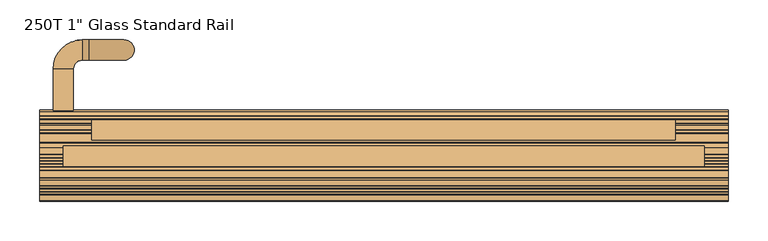
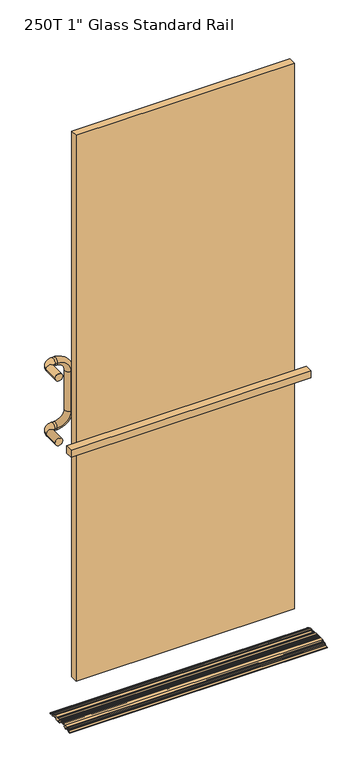
"""IFC4 building model written with IfcOpenShell, lengths in millimetres: door geometry."""

import ifcopenshell
import ifcopenshell.guid

model = None  # the IFC model being written
_history = None  # IfcOwnerHistory: only IFC2X3 demands one
_inside = {}  # id of a spatial element -> (the spatial element, [elements in it])
_under = {}  # id of a project, library or spatial element -> (it, [spatial elements below it])
_declared = {}  # id of a project -> (the project, [libraries it declares])
_typed = {}  # id of a type object -> (the type object, [elements of that type])
_made_of = {}  # id of a material, layer set ... -> (it, [elements and type objects made of it])


def new_model(schema):
    """Start an empty IFC model of exactly this schema.

    Asked for "IFC4X3", IfcOpenShell would pick the latest addendum, in which some entities
    have other attributes; the version numbers below select the first issue.
    IFC2X3 requires an IfcOwnerHistory on every rooted entity: one is made here for all.
    """
    global model, _history
    if schema == "IFC4X3":
        model = ifcopenshell.file(schema_version=(4, 3, 0, 0))
    else:
        model = ifcopenshell.file(schema=schema)
    _inside.clear()
    _under.clear()
    _declared.clear()
    _typed.clear()
    _made_of.clear()
    _history = None
    if model.schema == "IFC2X3":
        org = make("IfcOrganization", Name="unknown")
        user = make(
            "IfcPersonAndOrganization",
            ThePerson=make("IfcPerson", FamilyName="unknown"),
            TheOrganization=org,
        )
        app = make(
            "IfcApplication",
            ApplicationDeveloper=org,
            Version="unknown",
            ApplicationFullName="unknown",
            ApplicationIdentifier="unknown",
        )
        _history = make(
            "IfcOwnerHistory",
            OwningUser=user,
            OwningApplication=app,
            ChangeAction="ADDED",
            CreationDate=0,
        )
    return model


def make(cls, **values):
    """One entity of the class cls with the attributes given. An attribute that is None is left unset."""
    return model.create_entity(
        cls, **{name: value for name, value in values.items() if value is not None}
    )


def rooted(cls, **values):
    """An entity with a GlobalId (a new one), such as an element, a storey or a relation."""
    return make(cls, GlobalId=ifcopenshell.guid.new(), OwnerHistory=_history, **values)


def si_unit(unit_type, name, prefix=None):
    """IfcSIUnit, for example si_unit("LENGTHUNIT", "METRE", prefix="MILLI")."""
    return make("IfcSIUnit", UnitType=unit_type, Prefix=prefix, Name=name)


def assignment(units):
    """IfcUnitAssignment: the units of a project."""
    return None if units is None else make("IfcUnitAssignment", Units=units)


def point(xyz):
    """IfcCartesianPoint."""
    return None if xyz is None else make("IfcCartesianPoint", Coordinates=xyz)


def direction(xyz):
    """IfcDirection."""
    return None if xyz is None else make("IfcDirection", DirectionRatios=xyz)


def frame(location, z_axis=None, x_axis=None):
    """IfcAxis2Placement3D, a coordinate frame: its origin and axes. An axis left out is left unset."""
    return make(
        "IfcAxis2Placement3D",
        Location=point(location),
        Axis=direction(z_axis),
        RefDirection=direction(x_axis),
    )


def origin():
    """The frame at (0, 0, 0) with its axes left unset."""
    return frame((0.0, 0.0, 0.0))


def place(relative_to, where):
    """IfcLocalPlacement: puts the frame where relative to a parent placement (None: the world)."""
    return make(
        "IfcLocalPlacement", PlacementRelTo=relative_to, RelativePlacement=where
    )


def context(
    kind, dimensions, precision=None, world=None, true_north=None, identifier=None
):
    """IfcGeometricRepresentationContext, for example the 3D "Model" context."""
    return make(
        "IfcGeometricRepresentationContext",
        ContextIdentifier=identifier,
        ContextType=kind,
        CoordinateSpaceDimension=dimensions,
        Precision=precision,
        WorldCoordinateSystem=world,
        TrueNorth=true_north,
    )


def project(units=None, contexts=None):
    """IfcProject with its units and contexts."""
    return rooted(
        "IfcProject",
        Name="project",
        RepresentationContexts=contexts,
        UnitsInContext=assignment(units),
    )


def spatial(cls, under=None, at=None, **own):
    """A site, building, storey or space (cls), placed at a placement, below another one or the project."""
    s = rooted(cls, ObjectPlacement=at, **own)
    if under is not None:
        _under.setdefault(under.id(), (under, []))[1].append(s)
    return s


def polyline(points):
    """IfcPolyline through the points."""
    return make("IfcPolyline", Points=[point(p) for p in points])


def circle_curve(where, radius):
    """IfcCircle in the frame where."""
    return make("IfcCircle", Position=where, Radius=radius)


def ellipse_curve(where, semi_axis1, semi_axis2):
    """IfcEllipse in the frame where."""
    return make(
        "IfcEllipse", Position=where, SemiAxis1=semi_axis1, SemiAxis2=semi_axis2
    )


def trimmed(basis, trim1, trim2, sense, master):
    """IfcTrimmedCurve: the piece of a basis curve between two trims."""
    return make(
        "IfcTrimmedCurve",
        BasisCurve=basis,
        Trim1=trim1,
        Trim2=trim2,
        SenseAgreement=sense,
        MasterRepresentation=master,
    )


def outline(outer, holes=None, kind="AREA"):
    """IfcArbitraryClosedProfileDef: a profile drawn as a closed curve; with holes, ...WithVoids."""
    if holes is None:
        return make("IfcArbitraryClosedProfileDef", ProfileType=kind, OuterCurve=outer)
    return make(
        "IfcArbitraryProfileDefWithVoids",
        ProfileType=kind,
        OuterCurve=outer,
        InnerCurves=holes,
    )


def extrude(swept, where, along, depth):
    """IfcExtrudedAreaSolid: the profile swept, set in the frame where, extruded along a direction by depth."""
    return make(
        "IfcExtrudedAreaSolid",
        SweptArea=swept,
        Position=where,
        ExtrudedDirection=direction(along),
        Depth=depth,
    )


def shape(context_of_items, identifier, shape_type, items):
    """IfcShapeRepresentation: the items that make up one representation, for example the "Body"."""
    return make(
        "IfcShapeRepresentation",
        ContextOfItems=context_of_items,
        RepresentationIdentifier=identifier,
        RepresentationType=shape_type,
        Items=items,
    )


def source(mapping_origin, context_of_items, identifier, shape_type, items):
    """IfcRepresentationMap: a shape defined once, which mapped items show again and again."""
    return make(
        "IfcRepresentationMap",
        MappingOrigin=mapping_origin,
        MappedRepresentation=shape(context_of_items, identifier, shape_type, items),
    )


def transform(
    local_origin,
    x_axis=None,
    y_axis=None,
    z_axis=None,
    scale=None,
    scale2=None,
    scale3=None,
    uniform=True,
):
    """IfcCartesianTransformationOperator3D, or its non-uniform kind. x_axis, y_axis, z_axis: its Axis1, 2, 3."""
    if uniform:
        return make(
            "IfcCartesianTransformationOperator3D",
            Axis1=direction(x_axis),
            Axis2=direction(y_axis),
            LocalOrigin=point(local_origin),
            Scale=scale,
            Axis3=direction(z_axis),
        )
    return make(
        "IfcCartesianTransformationOperator3DnonUniform",
        Axis1=direction(x_axis),
        Axis2=direction(y_axis),
        LocalOrigin=point(local_origin),
        Scale=scale,
        Axis3=direction(z_axis),
        Scale2=scale2,
        Scale3=scale3,
    )


def mapped(mapping_source, mapping_target):
    """IfcMappedItem: shows the shape of a source again, moved by a transform."""
    return make(
        "IfcMappedItem", MappingSource=mapping_source, MappingTarget=mapping_target
    )


def made_of(thing, what):
    """Note that an element or type object is made of a material, layer set ...; save() writes the relation."""
    if what is not None:
        _made_of.setdefault(what.id(), (what, []))[1].append(thing)
    return thing


def element(
    cls,
    number,
    at=None,
    inside=None,
    cuts=None,
    type_object=None,
    material=None,
    context=None,
    identifier="Body",
    shape_type=None,
    held_by="IfcProductDefinitionShape",
    body=None,
    shapes=None,
    **own,
):
    """One element of the class cls, such as IfcWall. Its Tag is "e" and its number.

    at: its placement. inside: the storey or other place that contains it. cuts: it is an
    opening in that element (IfcRelVoidsElement). A single representation is given by context,
    identifier, shape_type and body (its items); several are given by shapes. held_by: the class
    of the entity that holds the representations. save() writes the other relations.
    """
    e = rooted(cls, Tag="e%d" % number, ObjectPlacement=at, **own)
    if body is not None:
        shapes = [shape(context, identifier, shape_type, body)]
    if shapes is not None:
        e.Representation = make(held_by, Representations=shapes)
    if inside is not None:
        _inside.setdefault(inside.id(), (inside, []))[1].append(e)
    if cuts is not None:
        rooted(
            "IfcRelVoidsElement", RelatingBuildingElement=cuts, RelatedOpeningElement=e
        )
    if type_object is not None:
        _typed.setdefault(type_object.id(), (type_object, []))[1].append(e)
    return made_of(e, material)


def aggregate(whole, parts):
    """IfcRelAggregates: a whole, such as a stair, and the parts it consists of."""
    return rooted("IfcRelAggregates", RelatingObject=whole, RelatedObjects=parts)


def save(model, path):
    """Write the relations noted so far, then the file.

    IfcRelAggregates (storeys below a building ...), IfcRelContainedInSpatialStructure (elements
    in a storey), IfcRelDefinesByType, IfcRelAssociatesMaterial and IfcRelDeclares: one each for
    every whole, place, type object, material and project.
    """
    for whole, parts in _under.values():
        aggregate(whole, parts)
    for where, things in _inside.values():
        rooted(
            "IfcRelContainedInSpatialStructure",
            RelatedElements=things,
            RelatingStructure=where,
        )
    for kind, things in _typed.values():
        rooted("IfcRelDefinesByType", RelatedObjects=things, RelatingType=kind)
    for what, things in _made_of.values():
        rooted("IfcRelAssociatesMaterial", RelatedObjects=things, RelatingMaterial=what)
    for by, libraries in _declared.values():
        rooted("IfcRelDeclares", RelatingContext=by, RelatedDefinitions=libraries)
    model.write(path)


def plane_surface(at):
    """IfcPlane: the flat surface through the origin of the frame at, square to its z axis."""
    return make("IfcPlane", Position=at)


def cylinder_surface(at, radius):
    """IfcCylindricalSurface: all points at the distance radius from the z axis of the frame at."""
    return make("IfcCylindricalSurface", Position=at, Radius=radius)


def revolved_surface(curve, axis_point, axis_direction):
    """IfcSurfaceOfRevolution: the curve turned about the line through axis_point along axis_direction."""
    return make(
        "IfcSurfaceOfRevolution",
        SweptCurve=make("IfcArbitraryOpenProfileDef", ProfileType="CURVE", Curve=curve),
        AxisPosition=make("IfcAxis1Placement", Location=point(axis_point), Axis=direction(axis_direction)),
    )


def advanced_brep(points, edges, surfaces, faces):
    """IfcAdvancedBrep: a solid bounded by faces that lie on surfaces and meet in shared edges.

    An edge is (start, end): straight between two places in points (the first is 0);
    or (start, end, curve); or (start, end, curve, False) where it runs against its curve.
    A face is (place in surfaces, loops), or (place, loops, False) where it looks against
    its surface's normal. A loop lists edges by number (the first is 1), with a minus sign
    where the edge is run from its end to its start. The first loop is the outer one.
    """
    corners = [point(p) for p in points]
    vertices = [make("IfcVertexPoint", VertexGeometry=c) for c in corners]
    made = []
    for start, end, *more in edges:
        made.append(
            make(
                "IfcEdgeCurve",
                EdgeStart=vertices[start],
                EdgeEnd=vertices[end],
                EdgeGeometry=more[0] if more else make("IfcPolyline", Points=[corners[start], corners[end]]),
                SameSense=more[1] if len(more) > 1 else True,
            )
        )
    hull = []
    for where, loops, *sense in faces:
        bounds = []
        for j, loop in enumerate(loops):
            ring = [make("IfcOrientedEdge", EdgeElement=made[abs(k) - 1], Orientation=k > 0) for k in loop]
            bounds.append(
                make(
                    "IfcFaceOuterBound" if j == 0 else "IfcFaceBound",
                    Bound=make("IfcEdgeLoop", EdgeList=ring),
                    Orientation=True,
                )
            )
        hull.append(make("IfcAdvancedFace", Bounds=bounds, FaceSurface=surfaces[where], SameSense=sense[0] if sense else True))
    return make("IfcAdvancedBrep", Outer=make("IfcClosedShell", CfsFaces=hull))


def door_67bc1ff7(model_context):
    return source(origin(), model_context, "Body", "SolidModel", [
        advanced_brep(
        [(431.8, 56.0018773, 3.232503), (431.8, 50.6638234, 5.6801748), (431.8, 49.619888, 5.292623), (431.8, 46.7107366, 6.6265638), (431.8, 46.3231848, 7.6704992), (431.8, 45.4689102, 8.062212), (431.8, 41.1255102, 6.449763), (431.8, 41.1255102, 9.5486209), (431.8, 40.666302, 10.2643645), (431.8, 38.7887102, 11.1253015), (431.8, 32.9213102, 11.1253015), (431.8, 32.1339102, 10.3379015), (431.8, 28.9335102, 10.3379015), (431.8, 28.1461102, 11.1253015), (431.8, 17.3511102, 11.1253015), (431.8, 16.5637102, 10.3379015), (431.8, 10.2137102, 10.3379015), (431.8, 10.2137102, 12.7001015), (431.8, 2.1174048, 12.7001015), (431.8, 1.3300048, 11.9127015), (431.8, -1.8703952, 11.9127015), (431.8, -2.6577952, 12.7001015), (431.8, -5.7343425, 12.7001015), (431.8, -6.5217425, 11.9127015), (431.8, -9.7221425, 11.9127015), (431.8, -10.5095425, 12.7001015), (431.8, -13.5860898, 12.7001015), (431.8, -14.3734898, 11.9127015), (431.8, -17.5738898, 11.9127015), (431.8, -18.3612898, 12.7001015), (431.8, -30.2484898, 12.7001015), (431.8, -37.2890147, 9.711576), (431.8, -37.7061586, 8.6791088), (431.8, -40.6521423, 7.4286129), (431.8, -41.6846095, 7.8457567), (431.8, -44.7708782, 6.5357134), (431.8, -45.188022, 5.5032462), (431.8, -48.1340058, 4.2527503), (431.8, -49.166473, 4.6698941), (431.8, -55.9815515, 1.7770649), (431.8, -56.4612898, 1.0522594), (431.8, -56.4613134, 9.84e-05), (431.8, -51.5229181, 0.6619452), (431.8, -49.2639778, 1.6208084), (431.8, -48.2315106, 1.2036646), (431.8, -43.1812527, 3.3473719), (431.8, -42.7641089, 4.3798391), (431.8, -41.7821143, 4.7966711), (431.8, -40.7496471, 4.3795272), (431.8, -35.6993893, 6.5232345), (431.8, -35.2822455, 7.5557017), (431.8, -33.3475373, 8.3769366), (431.8, -32.3312276, 7.3088865), (431.8, -32.7376898, 5.5373015), (431.8, -32.7376898, 0.0), (431.8, -30.7056898, 0.0), (431.8, -30.7056898, 3.1751015), (431.8, -25.9480674, 3.1751015), (431.8, -26.613477, 8.4977963), (431.8, -26.1637123, 9.9315015), (431.8, -19.3661635, 9.9315015), (431.8, -18.5787635, 9.1441015), (431.8, -13.3686162, 9.1441015), (431.8, -12.5812162, 9.9315015), (431.8, -11.5144162, 9.9315015), (431.8, -10.7270162, 9.1441015), (431.8, -5.5168689, 9.1441015), (431.8, -4.7294689, 9.9315015), (431.8, -3.6626689, 9.9315015), (431.8, -2.8752689, 9.1441015), (431.8, 3.1017102, 9.1441015), (431.8, 3.8891102, 8.3567015), (431.8, 3.8891102, 0.7875015), (431.8, 4.6765102, 0.0001015), (431.8, 10.2137102, 0.0), (431.8, 10.2137102, 2.7687015), (431.8, 16.5637102, 2.7687015), (431.8, 16.5637102, 0.0), (431.8, 22.1009102, 0.0), (431.8, 22.8883102, 0.7875015), (431.8, 22.8883102, 7.5693015), (431.8, 23.6757102, 8.3567015), (431.8, 26.1549621, 8.3567015), (431.8, 26.8531158, 7.2051859), (431.8, 27.3254878, 3.1751015), (431.8, 32.7767326, 3.1751015), (431.8, 33.2491045, 7.2051859), (431.8, 33.9472582, 8.3567015), (431.8, 36.7821102, 8.3567015), (431.8, 36.7821102, 5.9691015), (431.8, 39.1697102, 3.5815015), (431.8, 41.3543822, 3.5815015), (431.8, 43.0813102, 4.2226083), (431.8, 43.0813102, 0.0), (431.8, 45.8499102, 0.0), (431.8, 45.8499102, 3.6144549), (431.8, 46.965502, 4.3301985), (431.8, 52.9111102, 1.6039432), (431.8, 52.9111102, 0.6605015), (431.8, 57.8173069, 0.00297), (-431.8, 56.0018773, 3.232503), (-431.8, 57.8173069, 0.00297), (-431.8, 52.9111102, 0.6605015), (-431.8, 52.9111102, 1.6039432), (-431.8, 46.965502, 4.3301985), (-431.8, 45.8499102, 3.6144549), (-431.8, 45.8499102, 0.0), (-431.8, 43.0813102, 0.0), (-431.8, 43.0813102, 4.2226083), (-431.8, 41.3543822, 3.5815015), (-431.8, 39.1697102, 3.5815015), (-431.8, 36.7821102, 5.9691015), (-431.8, 36.7821102, 8.3567015), (-431.8, 33.9472582, 8.3567015), (-431.8, 33.2491045, 7.2051859), (-431.8, 32.7767326, 3.1751015), (-431.8, 27.3254878, 3.1751015), (-431.8, 26.8531158, 7.2051859), (-431.8, 26.1549621, 8.3567015), (-431.8, 23.6757102, 8.3567015), (-431.8, 22.8883102, 7.5693015), (-431.8, 22.8883102, 0.7875015), (-431.8, 22.1009102, 0.0001015), (-431.8, 16.5637102, 0.0), (-431.8, 16.5637102, 2.7687015), (-431.8, 10.2137102, 2.7687015), (-431.8, 10.2137102, 0.0), (-431.8, 4.6765102, 0.0), (-431.8, 3.8891102, 0.7875015), (-431.8, 3.8891102, 8.3567015), (-431.8, 3.1017102, 9.1441015), (-431.8, -2.8752689, 9.1441015), (-431.8, -3.6626689, 9.9315015), (-431.8, -4.7294689, 9.9315015), (-431.8, -5.5168689, 9.1441015), (-431.8, -10.7270162, 9.1441015), (-431.8, -11.5144162, 9.9315015), (-431.8, -12.5812162, 9.9315015), (-431.8, -13.3686162, 9.1441015), (-431.8, -18.5787635, 9.1441015), (-431.8, -19.3661635, 9.9315015), (-431.8, -26.1637123, 9.9315015), (-431.8, -26.613477, 8.4977963), (-431.8, -25.9480674, 3.1751015), (-431.8, -30.7056898, 3.1751015), (-431.8, -30.7056898, 0.0), (-431.8, -32.7376898, 0.0), (-431.8, -32.7376898, 5.5373015), (-431.8, -32.3312276, 7.3088865), (-431.8, -33.3475373, 8.3769366), (-431.8, -35.2822455, 7.5557017), (-431.8, -35.6993893, 6.5232345), (-431.8, -40.7496471, 4.3795272), (-431.8, -41.7821143, 4.7966711), (-431.8, -42.7641089, 4.3798391), (-431.8, -43.1812527, 3.3473719), (-431.8, -48.2315106, 1.2036646), (-431.8, -49.2639778, 1.6208084), (-431.8, -51.5229181, 0.6619452), (-431.8, -56.4613134, 9.84e-05), (-431.8, -56.4613134, 1.0522594), (-431.8, -55.9815515, 1.7770649), (-431.8, -49.166473, 4.6698941), (-431.8, -48.1340058, 4.2527503), (-431.8, -45.188022, 5.5032462), (-431.8, -44.7708782, 6.5357134), (-431.8, -41.6846095, 7.8457567), (-431.8, -40.6521423, 7.4286129), (-431.8, -37.7061586, 8.6791088), (-431.8, -37.2890147, 9.711576), (-431.8, -30.2484898, 12.7001015), (-431.8, -18.3612898, 12.7001015), (-431.8, -17.5738898, 11.9127015), (-431.8, -14.3734898, 11.9127015), (-431.8, -13.5860898, 12.7001015), (-431.8, -10.5095425, 12.7001015), (-431.8, -9.7221425, 11.9127015), (-431.8, -6.5217425, 11.9127015), (-431.8, -5.7343425, 12.7001015), (-431.8, -2.6577952, 12.7001015), (-431.8, -1.8703952, 11.9127015), (-431.8, 1.3300048, 11.9127015), (-431.8, 2.1174048, 12.7001015), (-431.8, 10.2137102, 12.7001015), (-431.8, 10.2137102, 10.3379015), (-431.8, 16.5637102, 10.3379015), (-431.8, 17.3511102, 11.1253015), (-431.8, 28.1461102, 11.1253015), (-431.8, 28.9335102, 10.3379015), (-431.8, 32.1339102, 10.3379015), (-431.8, 32.9213102, 11.1253015), (-431.8, 38.7887102, 11.1253015), (-431.8, 40.666302, 10.2643645), (-431.8, 41.1255102, 9.5486209), (-431.8, 41.1255102, 6.449763), (-431.8, 45.4689102, 8.062212), (-431.8, 46.3231848, 7.6704992), (-431.8, 46.7107366, 6.6265638), (-431.8, 49.619888, 5.292623), (-431.8, 50.6638234, 5.6801748)],
        [
            (0, 1),
            (1, 2),
            (2, 3),
            (3, 4),
            (4, 5),
            (5, 6),
            (6, 7),
            (7, 8, circle_curve(frame((431.8, 40.3381102, 9.5486209), z_axis=(1.0, 0.0, 0.0), x_axis=(0.0, -1.0, 0.0)), 0.7874)),
            (8, 9),
            (9, 10),
            (10, 11),
            (11, 12),
            (12, 13),
            (13, 14),
            (14, 15, circle_curve(frame((431.8, 17.3511102, 10.3379015), z_axis=(1.0, 0.0, 0.0), x_axis=(0.0, -1.0, 0.0)), 0.7874)),
            (15, 16, circle_curve(frame((431.8, 13.3887102, 24.0835969), z_axis=(-1.0, 0.0, 0.0), x_axis=(0.0, -1.0, 0.0)), 14.1076138)),
            (16, 17),
            (17, 18),
            (18, 19),
            (19, 20),
            (20, 21),
            (21, 22),
            (22, 23),
            (23, 24),
            (24, 25),
            (25, 26),
            (26, 27),
            (27, 28),
            (28, 29),
            (29, 30),
            (30, 31),
            (31, 32),
            (32, 33),
            (33, 34),
            (34, 35),
            (35, 36),
            (36, 37),
            (37, 38),
            (38, 39),
            (39, 40, circle_curve(frame((431.8, -55.6738898, 1.0522594), z_axis=(1.0, 0.0, 0.0), x_axis=(0.0, -1.0, 0.0)), 0.7874)),
            (40, 41),
            (41, 42),
            (42, 43),
            (43, 44),
            (44, 45),
            (45, 46),
            (46, 47),
            (47, 48),
            (48, 49),
            (49, 50),
            (50, 51),
            (51, 52, circle_curve(frame((431.8, -33.0398756, 7.6521311), z_axis=(-1.0, 0.0, 0.0), x_axis=(0.0, -1.0, 0.0)), 0.7874)),
            (52, 53, circle_curve(frame((431.8, -28.6736898, 5.5373015), z_axis=(1.0, 0.0, 0.0), x_axis=(0.0, -1.0, 0.0)), 4.064)),
            (53, 54),
            (54, 55),
            (55, 56),
            (56, 57),
            (57, 58, circle_curve(frame((431.8, -28.6736898, 5.5373015), z_axis=(1.0, 0.0, 0.0), x_axis=(0.0, -1.0, 0.0)), 3.6068)),
            (58, 59, circle_curve(frame((431.8, -26.1637123, 9.1441015), z_axis=(-1.0, 0.0, 0.0), x_axis=(0.0, -1.0, 0.0)), 0.7874)),
            (59, 60),
            (60, 61),
            (61, 62),
            (62, 63),
            (63, 64),
            (64, 65),
            (65, 66),
            (66, 67),
            (67, 68),
            (68, 69),
            (69, 70),
            (70, 71, circle_curve(frame((431.8, 3.1017102, 8.3567015), z_axis=(-1.0, 0.0, 0.0), x_axis=(0.0, -1.0, 0.0)), 0.7874)),
            (71, 72),
            (72, 73, circle_curve(frame((431.8, 4.6765102, 0.7875015), z_axis=(1.0, 0.0, 0.0), x_axis=(0.0, -1.0, 0.0)), 0.7874)),
            (73, 74),
            (74, 75),
            (75, 76),
            (76, 77),
            (77, 78),
            (78, 79, circle_curve(frame((431.8, 22.1009102, 0.7875015), z_axis=(1.0, 0.0, 0.0), x_axis=(0.0, -1.0, 0.0)), 0.7874)),
            (79, 80),
            (80, 81, circle_curve(frame((431.8, 23.6757102, 7.5693015), z_axis=(-1.0, 0.0, 0.0), x_axis=(0.0, -1.0, 0.0)), 0.7874)),
            (81, 82),
            (82, 83, circle_curve(frame((431.8, 26.1549621, 7.5693015), z_axis=(-1.0, 0.0, 0.0), x_axis=(0.0, -1.0, 0.0)), 0.7874)),
            (83, 84, circle_curve(frame((431.8, 30.0511102, 5.5373015), z_axis=(1.0, 0.0, 0.0), x_axis=(0.0, -1.0, 0.0)), 3.6068)),
            (84, 85),
            (85, 86, circle_curve(frame((431.8, 30.0511102, 5.5373015), z_axis=(1.0, 0.0, 0.0), x_axis=(0.0, -1.0, 0.0)), 3.6068)),
            (86, 87, circle_curve(frame((431.8, 33.9472582, 7.5693015), z_axis=(-1.0, 0.0, 0.0), x_axis=(0.0, -1.0, 0.0)), 0.7874)),
            (87, 88),
            (88, 89),
            (89, 90, circle_curve(frame((431.8, 39.1697102, 5.9691015), z_axis=(1.0, 0.0, 0.0), x_axis=(0.0, -1.0, 0.0)), 2.3876)),
            (90, 91),
            (91, 92),
            (92, 93),
            (93, 94),
            (94, 95),
            (95, 96, circle_curve(frame((431.8, 46.6373102, 3.6144549), z_axis=(-1.0, 0.0, 0.0), x_axis=(0.0, -1.0, 0.0)), 0.7874)),
            (96, 97),
            (97, 98),
            (98, 99),
            (99, 0, circle_curve(frame((431.8, 54.6891102, 0.3695285), z_axis=(1.0, 0.0, 0.0), x_axis=(0.0, -1.0, 0.0)), 3.1496)),
            (100, 101, circle_curve(frame((-431.8, 54.6891102, 0.3695285), z_axis=(-1.0, 0.0, 0.0), x_axis=(0.0, -1.0, 0.0)), 3.1496)),
            (101, 102),
            (102, 103),
            (103, 104),
            (104, 105, circle_curve(frame((-431.8, 46.6373102, 3.6144549), z_axis=(1.0, 0.0, 0.0), x_axis=(0.0, -1.0, 0.0)), 0.7874)),
            (105, 106),
            (106, 107),
            (107, 108),
            (108, 109),
            (109, 110),
            (110, 111, circle_curve(frame((-431.8, 39.1697102, 5.9691015), z_axis=(-1.0, 0.0, 0.0), x_axis=(0.0, -1.0, 0.0)), 2.3876)),
            (111, 112),
            (112, 113),
            (113, 114, circle_curve(frame((-431.8, 33.9472582, 7.5693015), z_axis=(1.0, 0.0, 0.0), x_axis=(0.0, -1.0, 0.0)), 0.7874)),
            (114, 115, circle_curve(frame((-431.8, 30.0511102, 5.5373015), z_axis=(-1.0, 0.0, 0.0), x_axis=(0.0, -1.0, 0.0)), 3.6068)),
            (115, 116),
            (116, 117, circle_curve(frame((-431.8, 30.0511102, 5.5373015), z_axis=(-1.0, 0.0, 0.0), x_axis=(0.0, -1.0, 0.0)), 3.6068)),
            (117, 118, circle_curve(frame((-431.8, 26.1549621, 7.5693015), z_axis=(1.0, 0.0, 0.0), x_axis=(0.0, -1.0, 0.0)), 0.7874)),
            (118, 119),
            (119, 120, circle_curve(frame((-431.8, 23.6757102, 7.5693015), z_axis=(1.0, 0.0, 0.0), x_axis=(0.0, -1.0, 0.0)), 0.7874)),
            (120, 121),
            (121, 122, circle_curve(frame((-431.8, 22.1009102, 0.7875015), z_axis=(-1.0, 0.0, 0.0), x_axis=(0.0, -1.0, 0.0)), 0.7874)),
            (122, 123),
            (123, 124),
            (124, 125),
            (125, 126),
            (126, 127),
            (127, 128, circle_curve(frame((-431.8, 4.6765102, 0.7875015), z_axis=(-1.0, 0.0, 0.0), x_axis=(0.0, -1.0, 0.0)), 0.7874)),
            (128, 129),
            (129, 130, circle_curve(frame((-431.8, 3.1017102, 8.3567015), z_axis=(1.0, 0.0, 0.0), x_axis=(0.0, -1.0, 0.0)), 0.7874)),
            (130, 131),
            (131, 132),
            (132, 133),
            (133, 134),
            (134, 135),
            (135, 136),
            (136, 137),
            (137, 138),
            (138, 139),
            (139, 140),
            (140, 141),
            (141, 142, circle_curve(frame((-431.8, -26.1637123, 9.1441015), z_axis=(1.0, 0.0, 0.0), x_axis=(0.0, -1.0, 0.0)), 0.7874)),
            (142, 143, circle_curve(frame((-431.8, -28.6736898, 5.5373015), z_axis=(-1.0, 0.0, 0.0), x_axis=(0.0, -1.0, 0.0)), 3.6068)),
            (143, 144),
            (144, 145),
            (145, 146),
            (146, 147),
            (147, 148, circle_curve(frame((-431.8, -28.6736898, 5.5373015), z_axis=(-1.0, 0.0, 0.0), x_axis=(0.0, -1.0, 0.0)), 4.064)),
            (148, 149, circle_curve(frame((-431.8, -33.0398756, 7.6521311), z_axis=(1.0, 0.0, 0.0), x_axis=(0.0, -1.0, 0.0)), 0.7874)),
            (149, 150),
            (150, 151),
            (151, 152),
            (152, 153),
            (153, 154),
            (154, 155),
            (155, 156),
            (156, 157),
            (157, 158),
            (158, 159),
            (159, 160),
            (160, 161, circle_curve(frame((-431.8, -55.6738898, 1.0522594), z_axis=(-1.0, 0.0, 0.0), x_axis=(0.0, -1.0, 0.0)), 0.7874)),
            (161, 162),
            (162, 163),
            (163, 164),
            (164, 165),
            (165, 166),
            (166, 167),
            (167, 168),
            (168, 169),
            (169, 170),
            (170, 171),
            (171, 172),
            (172, 173),
            (173, 174),
            (174, 175),
            (175, 176),
            (176, 177),
            (177, 178),
            (178, 179),
            (179, 180),
            (180, 181),
            (181, 182),
            (182, 183),
            (183, 184),
            (184, 185, circle_curve(frame((-431.8, 13.3887102, 24.0835969), z_axis=(1.0, 0.0, 0.0), x_axis=(0.0, -1.0, 0.0)), 14.1076138)),
            (185, 186, circle_curve(frame((-431.8, 17.3511102, 10.3379015), z_axis=(-1.0, 0.0, 0.0), x_axis=(0.0, -1.0, 0.0)), 0.7874)),
            (186, 187),
            (187, 188),
            (188, 189),
            (189, 190),
            (190, 191),
            (191, 192),
            (192, 193, circle_curve(frame((-431.8, 40.3381102, 9.5486209), z_axis=(-1.0, 0.0, 0.0), x_axis=(0.0, -1.0, 0.0)), 0.7874)),
            (193, 194),
            (194, 195),
            (195, 196),
            (196, 197),
            (197, 198),
            (198, 199),
            (199, 100),
            (100, 0),
            (99, 101),
            (98, 102),
            (97, 103),
            (96, 104),
            (95, 105),
            (94, 106),
            (93, 107),
            (92, 108),
            (91, 109),
            (90, 110),
            (89, 111),
            (88, 112),
            (87, 113),
            (86, 114),
            (85, 115),
            (84, 116),
            (83, 117),
            (82, 118),
            (81, 119),
            (80, 120),
            (79, 121),
            (78, 122),
            (77, 123),
            (76, 124),
            (75, 125),
            (74, 126),
            (73, 127),
            (72, 128),
            (71, 129),
            (70, 130),
            (69, 131),
            (68, 132),
            (67, 133),
            (66, 134),
            (65, 135),
            (64, 136),
            (63, 137),
            (62, 138),
            (61, 139),
            (60, 140),
            (59, 141),
            (58, 142),
            (57, 143),
            (56, 144),
            (55, 145),
            (54, 146),
            (53, 147),
            (52, 148),
            (51, 149),
            (50, 150),
            (49, 151),
            (48, 152),
            (47, 153),
            (46, 154),
            (45, 155),
            (44, 156),
            (43, 157),
            (42, 158),
            (41, 159),
            (40, 160),
            (39, 161),
            (38, 162),
            (37, 163),
            (36, 164),
            (35, 165),
            (34, 166),
            (33, 167),
            (32, 168),
            (31, 169),
            (30, 170),
            (29, 171),
            (28, 172),
            (27, 173),
            (26, 174),
            (25, 175),
            (24, 176),
            (23, 177),
            (22, 178),
            (21, 179),
            (20, 180),
            (19, 181),
            (18, 182),
            (17, 183),
            (16, 184),
            (15, 185),
            (14, 186),
            (13, 187),
            (12, 188),
            (11, 189),
            (10, 190),
            (9, 191),
            (8, 192),
            (7, 193),
            (6, 194),
            (5, 195),
            (4, 196),
            (3, 197),
            (2, 198),
            (1, 199),
        ],
        [
            plane_surface(frame((431.8, 51.5395102, 0.3695285), z_axis=(1.0, 0.0, 0.0), x_axis=(0.0, 0.0, -1.0))),
            plane_surface(frame((-431.8, 51.5395102, 0.3695285), z_axis=(-1.0, 0.0, 0.0), x_axis=(0.0, 0.0, 1.0))),
            cylinder_surface(frame((431.8, 54.6891102, 0.3695285), z_axis=(-1.0, 0.0, 0.0), x_axis=(0.0, -1.0, 0.0)), 3.1496),
            plane_surface(frame((-431.8, 57.8173069, 0.00297), z_axis=(0.0, -0.13283298616435907, -0.9911384352282274), x_axis=(1.0, 0.0, 0.0))),
            plane_surface(frame((-431.8, 52.9111102, 0.6605015), z_axis=(0.0, -1.0, 0.0), x_axis=(1.0, 0.0, 0.0))),
            plane_surface(frame((-431.8, 52.9111102, 1.6039432), z_axis=(0.0, -0.4168044055904199, -0.9089961977260503), x_axis=(1.0, 0.0, 0.0))),
            revolved_surface(polyline([(431.8, 45.849910200000004, 3.6144549), (-431.8, 45.849910200000004, 3.6144549)]), (431.8, 46.6373102, 3.6144549), (1.0, 0.0, 0.0)),
            plane_surface(frame((-431.8, 45.8499102, 3.6144549), z_axis=(0.0, 1.0, 0.0), x_axis=(1.0, 0.0, 0.0))),
            plane_surface(frame((-431.8, 45.8499102, 0.0), z_axis=(0.0, 0.0, -1.0), x_axis=(1.0, 0.0, 0.0))),
            plane_surface(frame((-431.8, 43.0813102, 0.0), z_axis=(0.0, -1.0, 0.0), x_axis=(1.0, 0.0, 0.0))),
            plane_surface(frame((-431.8, 43.0813102, 4.2226083), z_axis=(0.0, 0.34803215386348857, -0.9374825971062828), x_axis=(1.0, 0.0, 0.0))),
            plane_surface(frame((-431.8, 41.3543822, 3.5815015), z_axis=(0.0, 0.0, -1.0), x_axis=(1.0, 0.0, 0.0))),
            cylinder_surface(frame((431.8, 39.1697102, 5.9691015), z_axis=(-1.0, 0.0, 0.0), x_axis=(0.0, -1.0, 0.0)), 2.3876),
            plane_surface(frame((-431.8, 36.7821102, 5.9691015), z_axis=(0.0, -1.0, 0.0), x_axis=(1.0, 0.0, 0.0))),
            plane_surface(frame((-431.8, 36.7821102, 8.3567015), z_axis=(0.0, 0.0, -1.0), x_axis=(1.0, 0.0, 0.0))),
            revolved_surface(polyline([(431.8, 33.1598582, 7.5693015), (-431.8, 33.1598582, 7.5693015)]), (431.8, 33.9472582, 7.5693015), (1.0, 0.0, 0.0)),
            cylinder_surface(frame((431.8, 30.0511102, 5.5373015), z_axis=(-1.0, 0.0, 0.0), x_axis=(0.0, -1.0, 0.0)), 3.6068),
            plane_surface(frame((-431.8, 32.7767326, 3.1751015), z_axis=(0.0, 0.0, -1.0), x_axis=(1.0, 0.0, 0.0))),
            revolved_surface(polyline([(431.8, 25.367562099999997, 7.5693015), (-431.8, 25.367562099999997, 7.5693015)]), (431.8, 26.1549621, 7.5693015), (1.0, 0.0, 0.0)),
            plane_surface(frame((-431.8, 26.1549621, 8.3567015), z_axis=(0.0, 0.0, -1.0), x_axis=(1.0, 0.0, 0.0))),
            revolved_surface(polyline([(431.8, 22.8883102, 7.5693015), (-431.8, 22.8883102, 7.5693015)]), (431.8, 23.6757102, 7.5693015), (1.0, 0.0, 0.0)),
            plane_surface(frame((-431.8, 22.8883102, 7.5693015), z_axis=(0.0, 1.0, 0.0), x_axis=(1.0, 0.0, 0.0))),
            cylinder_surface(frame((431.8, 22.1009102, 0.7875015), z_axis=(-1.0, 0.0, 0.0), x_axis=(0.0, -1.0, 0.0)), 0.7874),
            plane_surface(frame((-431.8, 22.1009102, 0.0), z_axis=(0.0, 0.0, -1.0), x_axis=(1.0, 0.0, 0.0))),
            plane_surface(frame((-431.8, 16.5637102, 0.0), z_axis=(0.0, -1.0, 0.0), x_axis=(1.0, 0.0, 0.0))),
            plane_surface(frame((-431.8, 16.5637102, 2.7687015), z_axis=(0.0, 0.0, -1.0), x_axis=(1.0, 0.0, 0.0))),
            plane_surface(frame((-431.8, 10.2137102, 2.7687015), z_axis=(0.0, 1.0, 0.0), x_axis=(1.0, 0.0, 0.0))),
            plane_surface(frame((-431.8, 10.2137102, 0.0), z_axis=(0.0, 0.0, -1.0), x_axis=(1.0, 0.0, 0.0))),
            cylinder_surface(frame((431.8, 4.6765102, 0.7875015), z_axis=(-1.0, 0.0, 0.0), x_axis=(0.0, -1.0, 0.0)), 0.7874),
            plane_surface(frame((-431.8, 3.8891102, 0.7875015), z_axis=(0.0, -1.0, 0.0), x_axis=(1.0, 0.0, 0.0))),
            revolved_surface(polyline([(431.8, 2.3143102, 8.3567015), (-431.8, 2.3143102, 8.3567015)]), (431.8, 3.1017102, 8.3567015), (1.0, 0.0, 0.0)),
            plane_surface(frame((-431.8, 3.1017102, 9.1441015), z_axis=(0.0, 0.0, -1.0), x_axis=(1.0, 0.0, 0.0))),
            plane_surface(frame((-431.8, -2.8752689, 9.1441015), z_axis=(0.0, -0.7071067811858994, -0.7071067811871957), x_axis=(1.0, 0.0, 0.0))),
            plane_surface(frame((-431.8, -3.6626689, 9.9315015), z_axis=(0.0, 0.0, -1.0), x_axis=(1.0, 0.0, 0.0))),
            plane_surface(frame((-431.8, -4.7294689, 9.9315015), z_axis=(0.0, 0.7071067811858999, -0.7071067811871952), x_axis=(1.0, 0.0, 0.0))),
            plane_surface(frame((-431.8, -5.5168689, 9.1441015), z_axis=(0.0, 0.0, -1.0), x_axis=(1.0, 0.0, 0.0))),
            plane_surface(frame((-431.8, -10.7270162, 9.1441015), z_axis=(0.0, -0.7071067811865451, -0.7071067811865499), x_axis=(1.0, 0.0, 0.0))),
            plane_surface(frame((-431.8, -11.5144162, 9.9315015), z_axis=(0.0, 0.0, -1.0), x_axis=(1.0, 0.0, 0.0))),
            plane_surface(frame((-431.8, -12.5812162, 9.9315015), z_axis=(0.0, 0.7071067811858999, -0.7071067811871952), x_axis=(1.0, 0.0, 0.0))),
            plane_surface(frame((-431.8, -13.3686162, 9.1441015), z_axis=(0.0, 0.0, -1.0), x_axis=(1.0, 0.0, 0.0))),
            plane_surface(frame((-431.8, -18.5787635, 9.1441015), z_axis=(0.0, -0.7071067811858994, -0.7071067811871957), x_axis=(1.0, 0.0, 0.0))),
            plane_surface(frame((-431.8, -19.3661635, 9.9315015), z_axis=(0.0, 0.0, -1.0), x_axis=(1.0, 0.0, 0.0))),
            revolved_surface(polyline([(431.8, -26.951112300000002, 9.1441015), (-431.8, -26.951112300000002, 9.1441015)]), (431.8, -26.1637123, 9.1441015), (1.0, 0.0, 0.0)),
            cylinder_surface(frame((431.8, -28.6736898, 5.5373015), z_axis=(-1.0, 0.0, 0.0), x_axis=(0.0, -1.0, 0.0)), 3.6068),
            plane_surface(frame((-431.8, -25.9480674, 3.1751015), z_axis=(0.0, 0.0, -1.0), x_axis=(1.0, 0.0, 0.0))),
            plane_surface(frame((-431.8, -30.7056898, 3.1751015), z_axis=(0.0, 1.0, 0.0), x_axis=(1.0, 0.0, 0.0))),
            plane_surface(frame((-431.8, -30.7056898, 0.0), z_axis=(0.0, 0.0, -1.0), x_axis=(1.0, 0.0, 0.0))),
            plane_surface(frame((-431.8, -32.7376898, 0.0), z_axis=(0.0, -1.0, 0.0), x_axis=(1.0, 0.0, 0.0))),
            cylinder_surface(frame((431.8, -28.6736898, 5.5373015), z_axis=(-1.0, 0.0, 0.0), x_axis=(0.0, -1.0, 0.0)), 4.064),
            revolved_surface(polyline([(431.8, -33.8272756, 7.6521311), (-431.8, -33.8272756, 7.6521311)]), (431.8, -33.0398756, 7.6521311), (1.0, 0.0, 0.0)),
            plane_surface(frame((-431.8, -33.3475373, 8.3769366), z_axis=(0.0, 0.3907311284894216, -0.9205048534523776), x_axis=(1.0, 0.0, 0.0))),
            plane_surface(frame((-431.8, -35.2822455, 7.5557017), z_axis=(0.0, 0.9271838545667257, -0.37460659341606467), x_axis=(1.0, 0.0, 0.0))),
            plane_surface(frame((-431.8, -35.6993893, 6.5232345), z_axis=(0.0, 0.39073112848902, -0.9205048534525481), x_axis=(1.0, 0.0, 0.0))),
            plane_surface(frame((-431.8, -40.7496471, 4.3795272), z_axis=(0.0, -0.3746065934149557, -0.9271838545671738), x_axis=(1.0, 0.0, 0.0))),
            plane_surface(frame((-431.8, -41.7821143, 4.7966711), z_axis=(0.0, 0.3907311284888004, -0.9205048534526413), x_axis=(1.0, 0.0, 0.0))),
            plane_surface(frame((-431.8, -42.7641089, 4.3798391), z_axis=(0.0, 0.9271838545667251, -0.3746065934160663), x_axis=(1.0, 0.0, 0.0))),
            plane_surface(frame((-431.8, -43.1812527, 3.3473719), z_axis=(0.0, 0.39073112848946623, -0.9205048534523587), x_axis=(1.0, 0.0, 0.0))),
            plane_surface(frame((-431.8, -48.2315106, 1.2036646), z_axis=(0.0, -0.3746065934171786, -0.9271838545662757), x_axis=(1.0, 0.0, 0.0))),
            plane_surface(frame((-431.8, -49.2639778, 1.6208084), z_axis=(0.0, 0.3907311284899537, -0.9205048534521517), x_axis=(1.0, 0.0, 0.0))),
            plane_surface(frame((-431.8, -51.5229181, 0.6619452), z_axis=(0.0, 0.13283298616442385, -0.9911384352282188), x_axis=(1.0, 0.0, 0.0))),
            plane_surface(frame((-431.8, -56.4613134, 9.84e-05), z_axis=(0.0, -1.0, 0.0), x_axis=(1.0, 0.0, 0.0))),
            cylinder_surface(frame((431.8, -55.6738898, 1.0522594), z_axis=(-1.0, 0.0, 0.0), x_axis=(0.0, -1.0, 0.0)), 0.7874),
            plane_surface(frame((-431.8, -55.9815515, 1.7770649), z_axis=(0.0, -0.39073112848899777, 0.9205048534525575), x_axis=(1.0, 0.0, 0.0))),
            plane_surface(frame((-431.8, -49.166473, 4.6698941), z_axis=(0.0, 0.37460659341495345, 0.9271838545671747), x_axis=(1.0, 0.0, 0.0))),
            plane_surface(frame((-431.8, -48.1340058, 4.2527503), z_axis=(0.0, -0.3907311284894011, 0.9205048534523863), x_axis=(1.0, 0.0, 0.0))),
            plane_surface(frame((-431.8, -45.188022, 5.5032462), z_axis=(0.0, -0.9271838545667257, 0.37460659341606467), x_axis=(1.0, 0.0, 0.0))),
            plane_surface(frame((-431.8, -44.7708782, 6.5357134), z_axis=(0.0, -0.390731128489316, 0.9205048534524225), x_axis=(1.0, 0.0, 0.0))),
            plane_surface(frame((-431.8, -41.6846095, 7.8457567), z_axis=(0.0, 0.37460659341718167, 0.9271838545662745), x_axis=(1.0, 0.0, 0.0))),
            plane_surface(frame((-431.8, -40.6521423, 7.4286129), z_axis=(0.0, -0.39073112848940333, 0.9205048534523854), x_axis=(1.0, 0.0, 0.0))),
            plane_surface(frame((-431.8, -37.7061586, 8.6791088), z_axis=(0.0, -0.9271838545667257, 0.37460659341606506), x_axis=(1.0, 0.0, 0.0))),
            plane_surface(frame((-431.8, -37.2890147, 9.711576), z_axis=(0.0, -0.39073112848944413, 0.9205048534523681), x_axis=(1.0, 0.0, 0.0))),
            plane_surface(frame((-431.8, -30.2484898, 12.7001015), z_axis=(0.0, 0.0, 1.0), x_axis=(1.0, 0.0, 0.0))),
            plane_surface(frame((-431.8, -18.3612898, 12.7001015), z_axis=(0.0, 0.7071067811871952, 0.7071067811858999), x_axis=(1.0, 0.0, 0.0))),
            plane_surface(frame((-431.8, -17.5738898, 11.9127015), z_axis=(0.0, 0.0, 1.0), x_axis=(1.0, 0.0, 0.0))),
            plane_surface(frame((-431.8, -14.3734898, 11.9127015), z_axis=(0.0, -0.707106781187197, 0.707106781185898), x_axis=(1.0, 0.0, 0.0))),
            plane_surface(frame((-431.8, -13.5860898, 12.7001015), z_axis=(0.0, 0.0, 1.0), x_axis=(1.0, 0.0, 0.0))),
            plane_surface(frame((-431.8, -10.5095425, 12.7001015), z_axis=(0.0, 0.7071067811871952, 0.7071067811858999), x_axis=(1.0, 0.0, 0.0))),
            plane_surface(frame((-431.8, -9.7221425, 11.9127015), z_axis=(0.0, 0.0, 1.0), x_axis=(1.0, 0.0, 0.0))),
            plane_surface(frame((-431.8, -6.5217425, 11.9127015), z_axis=(0.0, -0.7071067811871962, 0.7071067811858989), x_axis=(1.0, 0.0, 0.0))),
            plane_surface(frame((-431.8, -5.7343425, 12.7001015), z_axis=(0.0, 0.0, 1.0), x_axis=(1.0, 0.0, 0.0))),
            plane_surface(frame((-431.8, -2.6577952, 12.7001015), z_axis=(0.0, 0.7071067811878458, 0.7071067811852494), x_axis=(1.0, 0.0, 0.0))),
            plane_surface(frame((-431.8, -1.8703952, 11.9127015), z_axis=(0.0, 0.0, 1.0), x_axis=(1.0, 0.0, 0.0))),
            plane_surface(frame((-431.8, 1.3300048, 11.9127015), z_axis=(0.0, -0.7071067811871962, 0.7071067811858989), x_axis=(1.0, 0.0, 0.0))),
            plane_surface(frame((-431.8, 2.1174048, 12.7001015), z_axis=(0.0, 0.0, 1.0), x_axis=(1.0, 0.0, 0.0))),
            plane_surface(frame((-431.8, 10.2137102, 12.7001015), z_axis=(0.0, 1.0, 0.0), x_axis=(1.0, 0.0, 0.0))),
            revolved_surface(polyline([(431.8, -0.7189035999999991, 24.0835969), (-431.8, -0.7189035999999991, 24.0835969)]), (431.8, 13.3887102, 24.0835969), (1.0, 0.0, 0.0)),
            cylinder_surface(frame((431.8, 17.3511102, 10.3379015), z_axis=(-1.0, 0.0, 0.0), x_axis=(0.0, -1.0, 0.0)), 0.7874),
            plane_surface(frame((-431.8, 17.3511102, 11.1253015), z_axis=(0.0, 0.0, 1.0), x_axis=(1.0, 0.0, 0.0))),
            plane_surface(frame((-431.8, 28.1461102, 11.1253015), z_axis=(0.0, 0.707106781185899, 0.7071067811871962), x_axis=(1.0, 0.0, 0.0))),
            plane_surface(frame((-431.8, 28.9335102, 10.3379015), z_axis=(0.0, 0.0, 1.0), x_axis=(1.0, 0.0, 0.0))),
            plane_surface(frame((-431.8, 32.1339102, 10.3379015), z_axis=(0.0, -0.7071067811858999, 0.7071067811871952), x_axis=(1.0, 0.0, 0.0))),
            plane_surface(frame((-431.8, 32.9213102, 11.1253015), z_axis=(0.0, 0.0, 1.0), x_axis=(1.0, 0.0, 0.0))),
            plane_surface(frame((-431.8, 38.7887102, 11.1253015), z_axis=(0.0, 0.4168044055898942, 0.9089961977262915), x_axis=(1.0, 0.0, 0.0))),
            cylinder_surface(frame((431.8, 40.3381102, 9.5486209), z_axis=(-1.0, 0.0, 0.0), x_axis=(0.0, -1.0, 0.0)), 0.7874),
            plane_surface(frame((-431.8, 41.1255102, 9.5486209), z_axis=(0.0, 1.0, 0.0), x_axis=(1.0, 0.0, 0.0))),
            plane_surface(frame((-431.8, 41.1255102, 6.449763), z_axis=(0.0, -0.34803215386352576, 0.9374825971062691), x_axis=(1.0, 0.0, 0.0))),
            plane_surface(frame((-431.8, 45.4689102, 8.062212), z_axis=(0.0, 0.41680440558842324, 0.9089961977269658), x_axis=(1.0, 0.0, 0.0))),
            plane_surface(frame((-431.8, 46.3231848, 7.6704992), z_axis=(0.0, 0.9374825971060472, 0.3480321538641233), x_axis=(1.0, 0.0, 0.0))),
            plane_surface(frame((-431.8, 46.7107366, 6.6265638), z_axis=(0.0, 0.41680440559001053, 0.9089961977262381), x_axis=(1.0, 0.0, 0.0))),
            plane_surface(frame((-431.8, 49.619888, 5.292623), z_axis=(0.0, -0.3480321538633442, 0.9374825971063365), x_axis=(1.0, 0.0, 0.0))),
            plane_surface(frame((-431.8, 50.6638234, 5.6801748), z_axis=(0.0, 0.41680440559015, 0.9089961977261741), x_axis=(1.0, 0.0, 0.0))),
        ],
        [
            (0, [[1, 2, 3, 4, 5, 6, 7, 8, 9, 10, 11, 12, 13, 14, 15, 16, 17, 18, 19, 20, 21, 22, 23, 24, 25, 26, 27, 28, 29, 30, 31, 32, 33, 34, 35, 36, 37, 38, 39, 40, 41, 42, 43, 44, 45, 46, 47, 48, 49, 50, 51, 52, 53, 54, 55, 56, 57, 58, 59, 60, 61, 62, 63, 64, 65, 66, 67, 68, 69, 70, 71, 72, 73, 74, 75, 76, 77, 78, 79, 80, 81, 82, 83, 84, 85, 86, 87, 88, 89, 90, 91, 92, 93, 94, 95, 96, 97, 98, 99, 100]]),
            (1, [[101, 102, 103, 104, 105, 106, 107, 108, 109, 110, 111, 112, 113, 114, 115, 116, 117, 118, 119, 120, 121, 122, 123, 124, 125, 126, 127, 128, 129, 130, 131, 132, 133, 134, 135, 136, 137, 138, 139, 140, 141, 142, 143, 144, 145, 146, 147, 148, 149, 150, 151, 152, 153, 154, 155, 156, 157, 158, 159, 160, 161, 162, 163, 164, 165, 166, 167, 168, 169, 170, 171, 172, 173, 174, 175, 176, 177, 178, 179, 180, 181, 182, 183, 184, 185, 186, 187, 188, 189, 190, 191, 192, 193, 194, 195, 196, 197, 198, 199, 200]]),
            (2, [[-101, 201, -100, 202]]),
            (3, [[-102, -202, -99, 203]]),
            (4, [[-103, -203, -98, 204]]),
            (5, [[-104, -204, -97, 205]]),
            (6, [[-105, -205, -96, 206]]),
            (7, [[-106, -206, -95, 207]]),
            (8, [[-107, -207, -94, 208]]),
            (9, [[-108, -208, -93, 209]]),
            (10, [[-109, -209, -92, 210]]),
            (11, [[-110, -210, -91, 211]]),
            (12, [[-111, -211, -90, 212]]),
            (13, [[-112, -212, -89, 213]]),
            (14, [[-113, -213, -88, 214]]),
            (15, [[-114, -214, -87, 215]]),
            (16, [[-115, -215, -86, 216]]),
            (17, [[-116, -216, -85, 217]]),
            (16, [[-117, -217, -84, 218]]),
            (18, [[-118, -218, -83, 219]]),
            (19, [[-119, -219, -82, 220]]),
            (20, [[-120, -220, -81, 221]]),
            (21, [[-121, -221, -80, 222]]),
            (22, [[-122, -222, -79, 223]]),
            (23, [[-123, -223, -78, 224]]),
            (24, [[-124, -224, -77, 225]]),
            (25, [[-125, -225, -76, 226]]),
            (26, [[-126, -226, -75, 227]]),
            (27, [[-127, -227, -74, 228]]),
            (28, [[-128, -228, -73, 229]]),
            (29, [[-129, -229, -72, 230]]),
            (30, [[-130, -230, -71, 231]]),
            (31, [[-131, -231, -70, 232]]),
            (32, [[-132, -232, -69, 233]]),
            (33, [[-133, -233, -68, 234]]),
            (34, [[-134, -234, -67, 235]]),
            (35, [[-135, -235, -66, 236]]),
            (36, [[-136, -236, -65, 237]]),
            (37, [[-137, -237, -64, 238]]),
            (38, [[-138, -238, -63, 239]]),
            (39, [[-139, -239, -62, 240]]),
            (40, [[-140, -240, -61, 241]]),
            (41, [[-141, -241, -60, 242]]),
            (42, [[-142, -242, -59, 243]]),
            (43, [[-143, -243, -58, 244]]),
            (44, [[-144, -244, -57, 245]]),
            (45, [[-145, -245, -56, 246]]),
            (46, [[-146, -246, -55, 247]]),
            (47, [[-147, -247, -54, 248]]),
            (48, [[-148, -248, -53, 249]]),
            (49, [[-149, -249, -52, 250]]),
            (50, [[-150, -250, -51, 251]]),
            (51, [[-151, -251, -50, 252]]),
            (52, [[-152, -252, -49, 253]]),
            (53, [[-153, -253, -48, 254]]),
            (54, [[-154, -254, -47, 255]]),
            (55, [[-155, -255, -46, 256]]),
            (56, [[-156, -256, -45, 257]]),
            (57, [[-157, -257, -44, 258]]),
            (58, [[-158, -258, -43, 259]]),
            (59, [[-159, -259, -42, 260]]),
            (60, [[-160, -260, -41, 261]]),
            (61, [[-161, -261, -40, 262]]),
            (62, [[-162, -262, -39, 263]]),
            (63, [[-163, -263, -38, 264]]),
            (64, [[-164, -264, -37, 265]]),
            (65, [[-165, -265, -36, 266]]),
            (66, [[-166, -266, -35, 267]]),
            (67, [[-167, -267, -34, 268]]),
            (68, [[-168, -268, -33, 269]]),
            (69, [[-169, -269, -32, 270]]),
            (70, [[-170, -270, -31, 271]]),
            (71, [[-171, -271, -30, 272]]),
            (72, [[-172, -272, -29, 273]]),
            (73, [[-173, -273, -28, 274]]),
            (74, [[-174, -274, -27, 275]]),
            (75, [[-175, -275, -26, 276]]),
            (76, [[-176, -276, -25, 277]]),
            (77, [[-177, -277, -24, 278]]),
            (78, [[-178, -278, -23, 279]]),
            (79, [[-179, -279, -22, 280]]),
            (80, [[-180, -280, -21, 281]]),
            (81, [[-181, -281, -20, 282]]),
            (82, [[-182, -282, -19, 283]]),
            (83, [[-183, -283, -18, 284]]),
            (84, [[-184, -284, -17, 285]]),
            (85, [[-185, -285, -16, 286]]),
            (86, [[-186, -286, -15, 287]]),
            (87, [[-187, -287, -14, 288]]),
            (88, [[-188, -288, -13, 289]]),
            (89, [[-189, -289, -12, 290]]),
            (90, [[-190, -290, -11, 291]]),
            (91, [[-191, -291, -10, 292]]),
            (92, [[-192, -292, -9, 293]]),
            (93, [[-193, -293, -8, 294]]),
            (94, [[-194, -294, -7, 295]]),
            (95, [[-195, -295, -6, 296]]),
            (96, [[-196, -296, -5, 297]]),
            (97, [[-197, -297, -4, 298]]),
            (98, [[-198, -298, -3, 299]]),
            (99, [[-199, -299, -2, 300]]),
            (100, [[-200, -300, -1, -201]]),
        ],
    ),
        advanced_brep(
        [(-415.1311297, 57.15, 1181.1), (-389.7313703, 57.15, 1181.1), (-415.1311297, 57.15, 952.5), (-389.7313703, 57.15, 952.5), (-415.1311297, 109.4147494, 1181.1), (-389.7313703, 109.4147494, 1181.1), (-378.4958791, 120.6502407, 1181.1), (-378.4958791, 146.05, 1181.1), (-370.6811297, 146.05, 1181.1), (-370.6811297, 120.6502407, 1181.1), (-326.2311297, 120.6502407, 1136.65), (-326.2311297, 146.05, 1136.65), (-326.2311297, 146.05, 996.95), (-326.2311297, 120.6502407, 996.95), (-370.6811297, 120.6502407, 952.5), (-370.6811297, 146.05, 952.5), (-378.4958791, 146.05, 952.5), (-378.4958791, 120.6502407, 952.5), (-389.7313703, 109.4147494, 952.5), (-415.1311297, 109.4147494, 952.5)],
        [
            (0, 1, circle_curve(frame((-402.43125, 57.15, 1181.1), z_axis=(0.0, -1.0, 0.0), x_axis=(-1.0, 0.0, 0.0)), 12.6998797)),
            (1, 0, circle_curve(frame((-402.43125, 57.15, 1181.1), z_axis=(0.0, -1.0, 0.0), x_axis=(-1.0, 0.0, 0.0)), 12.6998797)),
            (2, 3, circle_curve(frame((-402.43125, 57.15, 952.5), z_axis=(0.0, -1.0, 0.0), x_axis=(-1.0, 0.0, 0.0)), 12.6998797)),
            (3, 2, circle_curve(frame((-402.43125, 57.15, 952.5), z_axis=(0.0, -1.0, 0.0), x_axis=(-1.0, 0.0, 0.0)), 12.6998797)),
            (0, 4),
            (4, 5, circle_curve(frame((-402.43125, 109.4147494, 1181.1), z_axis=(0.0, -1.0, 0.0), x_axis=(-1.0, 0.0, 0.0)), 12.6998797)),
            (5, 1),
            (5, 4, circle_curve(frame((-402.43125, 109.4147494, 1181.1), z_axis=(0.0, -1.0, 0.0), x_axis=(-1.0, 0.0, 0.0)), 12.6998797)),
            (6, 5, circle_curve(frame((-378.4958791, 109.4147494, 1181.1), z_axis=(0.0, 0.0, 1.0), x_axis=(-1.0, 0.0, 0.0)), 11.2354913)),
            (4, 7, circle_curve(frame((-378.4958791, 109.4147494, 1181.1), z_axis=(0.0, 0.0, -1.0), x_axis=(-1.0, 0.0, 0.0)), 36.6352506)),
            (7, 6, circle_curve(frame((-378.4958791, 133.3501203, 1181.1), z_axis=(-1.0, 0.0, 0.0), x_axis=(0.0, 1.0, 0.0)), 12.6998797)),
            (6, 7, circle_curve(frame((-378.4958791, 133.3501203, 1181.1), z_axis=(-1.0, 0.0, 0.0), x_axis=(0.0, 1.0, 0.0)), 12.6998797)),
            (7, 8),
            (8, 9, circle_curve(frame((-370.6811297, 133.3501203, 1181.1), z_axis=(-1.0, 0.0, 0.0), x_axis=(0.0, 1.0, 0.0)), 12.6998797)),
            (9, 6),
            (9, 8, circle_curve(frame((-370.6811297, 133.3501203, 1181.1), z_axis=(-1.0, 0.0, 0.0), x_axis=(0.0, 1.0, 0.0)), 12.6998797)),
            (10, 9, circle_curve(frame((-370.6811297, 120.6502407, 1136.65), z_axis=(0.0, -1.0, 0.0), x_axis=(0.0, 0.0, 1.0)), 44.45)),
            (8, 11, circle_curve(frame((-370.6811297, 146.05, 1136.65), z_axis=(0.0, 1.0, 0.0), x_axis=(0.0, 0.0, 1.0)), 44.45)),
            (11, 10, circle_curve(frame((-326.2311297, 133.3501203, 1136.65), z_axis=(0.0, 0.0, 1.0), x_axis=(0.0, 1.0, 0.0)), 12.6998797)),
            (10, 11, circle_curve(frame((-326.2311297, 133.3501203, 1136.65), z_axis=(0.0, 0.0, 1.0), x_axis=(0.0, 1.0, 0.0)), 12.6998797)),
            (11, 12),
            (12, 13, circle_curve(frame((-326.2311297, 133.3501203, 996.95), z_axis=(0.0, 0.0, 1.0), x_axis=(0.0, 1.0, 0.0)), 12.6998797)),
            (13, 10),
            (13, 12, circle_curve(frame((-326.2311297, 133.3501203, 996.95), z_axis=(0.0, 0.0, 1.0), x_axis=(0.0, 1.0, 0.0)), 12.6998797)),
            (14, 13, circle_curve(frame((-370.6811297, 120.6502407, 996.95), z_axis=(0.0, -1.0, 0.0), x_axis=(1.0, 0.0, 0.0)), 44.45)),
            (12, 15, circle_curve(frame((-370.6811297, 146.05, 996.95), z_axis=(0.0, 1.0, 0.0), x_axis=(1.0, 0.0, 0.0)), 44.45)),
            (15, 14, circle_curve(frame((-370.6811297, 133.3501203, 952.5), z_axis=(1.0, 0.0, 0.0), x_axis=(0.0, 1.0, 0.0)), 12.6998797)),
            (14, 15, circle_curve(frame((-370.6811297, 133.3501203, 952.5), z_axis=(1.0, 0.0, 0.0), x_axis=(0.0, 1.0, 0.0)), 12.6998797)),
            (15, 16),
            (16, 17, circle_curve(frame((-378.4958791, 133.3501203, 952.5), z_axis=(1.0, 0.0, 0.0), x_axis=(0.0, 1.0, 0.0)), 12.6998797)),
            (17, 14),
            (17, 16, circle_curve(frame((-378.4958791, 133.3501203, 952.5), z_axis=(1.0, 0.0, 0.0), x_axis=(0.0, 1.0, 0.0)), 12.6998797)),
            (18, 17, circle_curve(frame((-378.4958791, 109.4147494, 952.5), z_axis=(0.0, 0.0, -1.0), x_axis=(0.0, 1.0, 0.0)), 11.2354913)),
            (16, 19, circle_curve(frame((-378.4958791, 109.4147494, 952.5), z_axis=(0.0, 0.0, 1.0), x_axis=(0.0, 1.0, 0.0)), 36.6352506)),
            (19, 18, circle_curve(frame((-402.43125, 109.4147494, 952.5), z_axis=(0.0, 1.0, 0.0), x_axis=(-1.0, 0.0, 0.0)), 12.6998797)),
            (18, 19, circle_curve(frame((-402.43125, 109.4147494, 952.5), z_axis=(0.0, 1.0, 0.0), x_axis=(-1.0, 0.0, 0.0)), 12.6998797)),
            (19, 2),
            (3, 18),
        ],
        [
            plane_surface(frame((-415.1311297, 57.15, 1181.1), z_axis=(0.0, -1.0, 0.0), x_axis=(0.0, 0.0, 1.0))),
            plane_surface(frame((-415.1311297, 57.15, 952.5), z_axis=(0.0, -1.0, 0.0), x_axis=(0.0, 0.0, -1.0))),
            cylinder_surface(frame((-402.43125, 57.15, 1181.1), z_axis=(0.0, -1.0, 0.0), x_axis=(-1.0, 0.0, 0.0)), 12.6998797),
            revolved_surface(trimmed(ellipse_curve(frame((-402.43125, 109.4147494, 1181.1), z_axis=(0.0, -1.0, 0.0), x_axis=(-1.0, 0.0, 0.0)), 12.6998797, 12.6998797), [point((-415.1311297, 109.4147494, 1181.1))], [point((-389.7313703, 109.4147494, 1181.1))], True, "CARTESIAN"), (-378.4958791, 109.4147494, 1181.1), (0.0, 0.0, -1.0)),
            revolved_surface(trimmed(ellipse_curve(frame((-402.43125, 109.4147494, 1181.1), z_axis=(0.0, -1.0, 0.0), x_axis=(-1.0, 0.0, 0.0)), 12.6998797, 12.6998797), [point((-389.7313703, 109.4147494, 1181.1))], [point((-415.1311297, 109.4147494, 1181.1))], True, "CARTESIAN"), (-378.4958791, 109.4147494, 1181.1), (0.0, 0.0, -1.0)),
            cylinder_surface(frame((-378.4958791, 133.3501203, 1181.1), z_axis=(-1.0, 0.0, 0.0), x_axis=(0.0, 1.0, 0.0)), 12.6998797),
            revolved_surface(trimmed(ellipse_curve(frame((-370.6811297, 133.3501203, 1181.1), z_axis=(-1.0, 0.0, 0.0), x_axis=(0.0, 1.0, 0.0)), 12.6998797, 12.6998797), [point((-370.6811297, 146.05, 1181.1))], [point((-370.6811297, 120.6502407, 1181.1))], True, "CARTESIAN"), (-370.6811297, 133.35, 1136.65), (0.0, 1.0, 0.0)),
            revolved_surface(trimmed(ellipse_curve(frame((-370.6811297, 133.3501203, 1181.1), z_axis=(-1.0, 0.0, 0.0), x_axis=(0.0, 1.0, 0.0)), 12.6998797, 12.6998797), [point((-370.6811297, 120.6502407, 1181.1))], [point((-370.6811297, 146.05, 1181.1))], True, "CARTESIAN"), (-370.6811297, 133.35, 1136.65), (0.0, 1.0, 0.0)),
            cylinder_surface(frame((-326.2311297, 133.3501203, 1136.65), z_axis=(0.0, 0.0, 1.0), x_axis=(0.0, 1.0, 0.0)), 12.6998797),
            revolved_surface(trimmed(ellipse_curve(frame((-326.2311297, 133.3501203, 996.95), z_axis=(0.0, 0.0, 1.0), x_axis=(0.0, 1.0, 0.0)), 12.6998797, 12.6998797), [point((-326.2311297, 146.05, 996.95))], [point((-326.2311297, 120.6502407, 996.95))], True, "CARTESIAN"), (-370.6811297, 133.35, 996.95), (0.0, 1.0, 0.0)),
            revolved_surface(trimmed(ellipse_curve(frame((-326.2311297, 133.3501203, 996.95), z_axis=(0.0, 0.0, 1.0), x_axis=(0.0, 1.0, 0.0)), 12.6998797, 12.6998797), [point((-326.2311297, 120.6502407, 996.95))], [point((-326.2311297, 146.05, 996.95))], True, "CARTESIAN"), (-370.6811297, 133.35, 996.95), (0.0, 1.0, 0.0)),
            cylinder_surface(frame((-370.6811297, 133.3501203, 952.5), z_axis=(1.0, 0.0, 0.0), x_axis=(0.0, 1.0, 0.0)), 12.6998797),
            revolved_surface(trimmed(ellipse_curve(frame((-378.4958791, 133.3501203, 952.5), z_axis=(1.0, 0.0, 0.0), x_axis=(0.0, 1.0, 0.0)), 12.6998797, 12.6998797), [point((-378.4958791, 146.05, 952.5))], [point((-378.4958791, 120.6502407, 952.5))], True, "CARTESIAN"), (-378.4958791, 109.4147494, 952.5), (0.0, 0.0, 1.0)),
            revolved_surface(trimmed(ellipse_curve(frame((-378.4958791, 133.3501203, 952.5), z_axis=(1.0, 0.0, 0.0), x_axis=(0.0, 1.0, 0.0)), 12.6998797, 12.6998797), [point((-378.4958791, 120.6502407, 952.5))], [point((-378.4958791, 146.05, 952.5))], True, "CARTESIAN"), (-378.4958791, 109.4147494, 952.5), (0.0, 0.0, 1.0)),
            cylinder_surface(frame((-402.43125, 109.4147494, 952.5), z_axis=(0.0, 1.0, 0.0), x_axis=(-1.0, 0.0, 0.0)), 12.6998797),
        ],
        [
            (0, [[1, 2]]),
            (1, [[3, 4]]),
            (2, [[-1, 5, 6, 7]]),
            (2, [[-2, -7, 8, -5]]),
            (3, [[9, -6, 10, 11]]),
            (4, [[-10, -8, -9, 12]]),
            (5, [[-11, 13, 14, 15]]),
            (5, [[-12, -15, 16, -13]]),
            (6, [[17, -14, 18, 19]]),
            (7, [[-18, -16, -17, 20]]),
            (8, [[-19, 21, 22, 23]]),
            (8, [[-20, -23, 24, -21]]),
            (9, [[25, -22, 26, 27]]),
            (10, [[-26, -24, -25, 28]]),
            (11, [[-27, 29, 30, 31]]),
            (11, [[-28, -31, 32, -29]]),
            (12, [[33, -30, 34, 35]]),
            (13, [[-34, -32, -33, 36]]),
            (14, [[-35, 37, -4, 38]]),
            (14, [[-36, -38, -3, -37]]),
        ],
    ),
        extrude(outline(polyline([(365.125, 45.24375), (365.125, 19.84375), (-366.7125, 19.84375), (-366.7125, 45.24375), (365.125, 45.24375)])), frame((0.0, 0.0, 114.3), z_axis=(0.0, 0.0, 1.0), x_axis=(1.0, 0.0, 0.0)), (0.0, 0.0, 1.0), 1933.575),
        extrude(outline(polyline([(-402.43125, -12.7), (-402.43125, 12.7), (401.6375, 12.7), (401.6375, -12.7), (-402.43125, -12.7)])), frame((0.0, 0.0, 939.8), z_axis=(0.0, 0.0, 1.0), x_axis=(1.0, 0.0, 0.0)), (0.0, 0.0, 1.0), 25.3998797),
    ])


if __name__ == "__main__":
    model = new_model("IFC4")
    model_context = context("Model", 3, world=origin())
    ifc_project = project(units=[si_unit("LENGTHUNIT", "METRE", prefix="MILLI")], contexts=[model_context])
    site = spatial("IfcSite", under=ifc_project)
    building = spatial("IfcBuilding", under=site)
    placement = place(None, origin())
    door_shape = door_67bc1ff7(model_context)
    element("IfcDoor", 1, ObjectType="250T 1\" Glass Standard Rail", at=placement, inside=building, context=model_context, shape_type="MappedRepresentation", body=[
        mapped(door_shape, transform((0.0, 0.0, 0.0), x_axis=(1.0, 0.0, 0.0), y_axis=(0.0, 1.0, 0.0), z_axis=(0.0, 0.0, 1.0))),
    ])
    save(model, "model.ifc")
